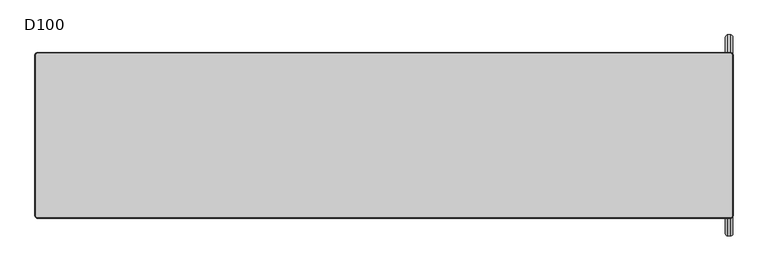
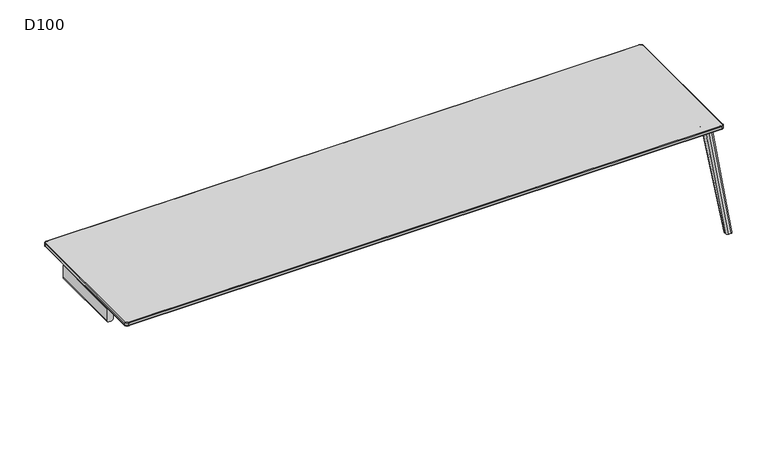
"""IFC4 building model written with IfcOpenShell, lengths in millimetres: furniture geometry, D100."""

from ifc_helpers import new_model, si_unit, point, frame, frame_2d, origin, place, context, project, spatial, polyline, circle_curve, ellipse_curve, trimmed, segment, composite_curve, outline, extrude, source, transform, mapped, element, save
from ifc_brep_helpers import plane_surface, cylinder_surface, revolved_surface, advanced_brep


def d100_9498625e(model_context):
    return source(origin(), model_context, "Body", "SolidModel", [
        extrude(outline(composite_curve([segment(polyline([(611.0, 2099.0), (700.0, 2099.0), (700.0, 2054.0), (611.0, 2054.0)]), True, "CONTINUOUS"), segment(trimmed(circle_curve(frame_2d((611.0, 2069.0)), 15.0), [point((611.0, 2054.0))], [point((596.0, 2069.0))], False, "CARTESIAN"), True, "CONTINUOUS"), segment(polyline([(596.0, 2069.0), (596.0, 2084.0)]), True, "CONTINUOUS"), segment(trimmed(circle_curve(frame_2d((611.0, 2084.0)), 15.0), [point((596.0, 2084.0))], [point((611.0, 2099.0))], False, "CARTESIAN"), True, "CONTINUOUS")], self_intersect=False)), frame((0.0, -264.7236545, 0.0), z_axis=(0.0, 1.0, 0.0), x_axis=(0.0, 0.0, 1.0)), (0.0, 0.0, 1.0), 529.4473089),
        extrude(outline(composite_curve([segment(polyline([(611.0, 0.0), (700.0, 0.0), (700.0, -45.0), (611.0, -45.0)]), True, "CONTINUOUS"), segment(trimmed(circle_curve(frame_2d((611.0, -30.0)), 15.0), [point((611.0, -45.0))], [point((596.0, -30.0))], False, "CARTESIAN"), True, "CONTINUOUS"), segment(polyline([(596.0, -30.0), (596.0, -15.0)]), True, "CONTINUOUS"), segment(trimmed(circle_curve(frame_2d((611.0, -15.0)), 15.0), [point((596.0, -15.0))], [point((611.0, 0.0))], False, "CARTESIAN"), True, "CONTINUOUS")], self_intersect=False)), frame((0.0, -264.7236545, 0.0), z_axis=(0.0, 1.0, 0.0), x_axis=(0.0, 0.0, 1.0)), (0.0, 0.0, 1.0), 529.4473089),
        extrude(outline(composite_curve([segment(trimmed(circle_curve(frame_2d((611.0, 15.0)), 15.0), [point((611.0, 0.0))], [point((596.0, 15.0))], False, "CARTESIAN"), True, "CONTINUOUS"), segment(polyline([(596.0, 15.0), (596.0, 30.0)]), True, "CONTINUOUS"), segment(trimmed(circle_curve(frame_2d((611.0, 30.0)), 15.0), [point((596.0, 30.0))], [point((611.0, 45.0))], False, "CARTESIAN"), True, "CONTINUOUS"), segment(polyline([(611.0, 45.0), (700.0, 45.0), (700.0, 0.0), (611.0, 0.0)]), True, "CONTINUOUS")], self_intersect=False)), frame((0.0, -264.7236545, 0.0), z_axis=(0.0, 1.0, 0.0), x_axis=(0.0, 0.0, 1.0)), (0.0, 0.0, 1.0), 529.4473089),
        extrude(outline(composite_curve([segment(trimmed(circle_curve(frame_2d((611.0, -2084.0)), 15.0), [point((611.0, -2099.0))], [point((596.0, -2084.0))], False, "CARTESIAN"), True, "CONTINUOUS"), segment(polyline([(596.0, -2084.0), (596.0, -2069.0)]), True, "CONTINUOUS"), segment(trimmed(circle_curve(frame_2d((611.0, -2069.0)), 15.0), [point((596.0, -2069.0))], [point((611.0, -2054.0))], False, "CARTESIAN"), True, "CONTINUOUS"), segment(polyline([(611.0, -2054.0), (700.0, -2054.0), (700.0, -2099.0), (611.0, -2099.0)]), True, "CONTINUOUS")], self_intersect=False)), frame((0.0, -264.7236545, 0.0), z_axis=(0.0, 1.0, 0.0), x_axis=(0.0, 0.0, 1.0)), (0.0, 0.0, 1.0), 529.4473089),
        advanced_brep(
        [(-2082.0, 495.0, 732.0), (-2095.0, 482.0, 732.0), (-2095.0, -482.0, 732.0), (-2082.0, -495.0, 732.0), (2082.0, -495.0, 732.0), (2095.0, -482.0, 732.0), (2095.0, 482.0, 732.0), (2082.0, 495.0, 732.0), (-2095.0, 482.0, 706.0), (-2082.0, 495.0, 706.0), (2082.0, 495.0, 706.0), (2095.0, 482.0, 706.0), (2095.0, -482.0, 706.0), (2082.0, -495.0, 706.0), (-2082.0, -495.0, 706.0), (-2095.0, -482.0, 706.0), (-2100.0, 482.0, 727.0000049), (-2100.0, 482.0, 711.0), (-2100.0, -482.0, 711.0), (-2100.0, -482.0, 727.0), (-2082.0, -500.0, 711.0), (-2082.0, -500.0, 727.0000037), (2082.0, -500.0, 711.0), (2082.0, -500.0, 727.0), (2100.0, -482.0, 711.0), (2100.0, -482.0, 727.0000035), (2100.0, 482.0, 711.0), (2100.0, 482.0, 727.0), (-2082.0, 500.0, 711.0), (-2082.0, 500.0, 727.0), (2082.0, 500.0, 711.0), (2082.0, 500.0, 727.0)],
        [
            (0, 1, circle_curve(frame((-2082.0, 482.0, 732.0), z_axis=(0.0, 0.0, 1.0), x_axis=(0.0, 1.0, 0.0)), 13.0)),
            (1, 2),
            (2, 3, circle_curve(frame((-2082.0, -482.0, 732.0), z_axis=(0.0, 0.0, 1.0), x_axis=(-1.0, 0.0, 0.0)), 13.0)),
            (3, 4),
            (4, 5, circle_curve(frame((2082.0, -482.0, 732.0), z_axis=(0.0, 0.0, 1.0), x_axis=(0.0, -1.0, 0.0)), 13.0)),
            (5, 6),
            (6, 7, circle_curve(frame((2082.0, 482.0, 732.0), z_axis=(0.0, 0.0, 1.0), x_axis=(1.0, 0.0, 0.0)), 13.0)),
            (7, 0),
            (8, 9, circle_curve(frame((-2082.0, 482.0, 706.0), z_axis=(0.0, 0.0, -1.0), x_axis=(0.0, 1.0, 0.0)), 13.0)),
            (9, 10),
            (10, 11, circle_curve(frame((2082.0, 482.0, 706.0), z_axis=(0.0, 0.0, -1.0), x_axis=(1.0, 0.0, 0.0)), 13.0)),
            (11, 12),
            (12, 13, circle_curve(frame((2082.0, -482.0, 706.0), z_axis=(0.0, 0.0, -1.0), x_axis=(0.0, -1.0, 0.0)), 13.0)),
            (13, 14),
            (14, 15, circle_curve(frame((-2082.0, -482.0, 706.0), z_axis=(0.0, 0.0, -1.0), x_axis=(-1.0, 0.0, 0.0)), 13.0)),
            (15, 8),
            (16, 17),
            (17, 18),
            (18, 19),
            (19, 16),
            (18, 20, circle_curve(frame((-2082.0, -482.0, 711.0), z_axis=(0.0, 0.0, 1.0), x_axis=(1.0, 0.0, 0.0)), 18.0)),
            (20, 21),
            (21, 19, circle_curve(frame((-2082.0, -482.0, 727.0), z_axis=(0.0, 0.0, -1.0), x_axis=(1.0, 0.0, 0.0)), 18.0)),
            (20, 22),
            (22, 23),
            (23, 21),
            (22, 24, circle_curve(frame((2082.0, -482.0, 711.0), z_axis=(0.0, 0.0, 1.0), x_axis=(1.0, 0.0, 0.0)), 18.0)),
            (24, 25),
            (25, 23, circle_curve(frame((2082.0, -482.0, 727.0), z_axis=(0.0, 0.0, -1.0), x_axis=(1.0, 0.0, 0.0)), 18.0)),
            (24, 26),
            (26, 27),
            (27, 25),
            (8, 17, circle_curve(frame((-2095.0, 482.0, 711.0), z_axis=(0.0, 1.0, 0.0), x_axis=(1.0, 0.0, 0.0)), 5.0)),
            (17, 28, circle_curve(frame((-2082.0, 482.0, 711.0), z_axis=(0.0, 0.0, -1.0), x_axis=(0.0, 1.0, 0.0)), 18.0)),
            (28, 9, circle_curve(frame((-2082.0, 495.0, 711.0), z_axis=(-1.0, 0.0, 0.0), x_axis=(0.0, -1.0, 0.0)), 5.0)),
            (16, 1, circle_curve(frame((-2095.0, 482.0, 727.0), z_axis=(0.0, 1.0, 0.0), x_axis=(1.0, 0.0, 0.0)), 5.0)),
            (0, 29, circle_curve(frame((-2082.0, 495.0, 727.0), z_axis=(-1.0, 0.0, 0.0), x_axis=(0.0, -1.0, 0.0)), 5.0)),
            (29, 16, circle_curve(frame((-2082.0, 482.0, 727.0), z_axis=(0.0, 0.0, 1.0), x_axis=(0.0, 1.0, 0.0)), 18.0)),
            (15, 18, circle_curve(frame((-2095.0, -482.0, 711.0), z_axis=(0.0, 1.0, 0.0), x_axis=(1.0, 0.0, 0.0)), 5.0)),
            (19, 2, circle_curve(frame((-2095.0, -482.0, 727.0), z_axis=(0.0, 1.0, 0.0), x_axis=(1.0, 0.0, 0.0)), 5.0)),
            (14, 20, circle_curve(frame((-2082.0, -495.0, 711.0), z_axis=(-1.0, 0.0, 0.0), x_axis=(0.0, 1.0, 0.0)), 5.0)),
            (21, 3, circle_curve(frame((-2082.0, -495.0, 727.0), z_axis=(-1.0, 0.0, 0.0), x_axis=(0.0, 1.0, 0.0)), 5.0)),
            (13, 22, circle_curve(frame((2082.0, -495.0, 711.0), z_axis=(-1.0, 0.0, 0.0), x_axis=(0.0, 1.0, 0.0)), 5.0)),
            (23, 4, circle_curve(frame((2082.0, -495.0, 727.0), z_axis=(-1.0, 0.0, 0.0), x_axis=(0.0, 1.0, 0.0)), 5.0)),
            (12, 24, circle_curve(frame((2095.0, -482.0, 711.0), z_axis=(0.0, -1.0, 0.0), x_axis=(-1.0, 0.0, 0.0)), 5.0)),
            (25, 5, circle_curve(frame((2095.0, -482.0, 727.0), z_axis=(0.0, -1.0, 0.0), x_axis=(-1.0, 0.0, 0.0)), 5.0)),
            (11, 26, circle_curve(frame((2095.0, 482.0, 711.0), z_axis=(0.0, -1.0, 0.0), x_axis=(-1.0, 0.0, 0.0)), 5.0)),
            (27, 6, circle_curve(frame((2095.0, 482.0, 727.0), z_axis=(0.0, -1.0, 0.0), x_axis=(-1.0, 0.0, 0.0)), 5.0)),
            (10, 30, circle_curve(frame((2082.0, 495.0, 711.0), z_axis=(1.0, 0.0, 0.0), x_axis=(0.0, -1.0, 0.0)), 5.0)),
            (30, 26, circle_curve(frame((2082.0, 482.0, 711.0), z_axis=(0.0, 0.0, -1.0), x_axis=(1.0, 0.0, 0.0)), 18.0)),
            (27, 31, circle_curve(frame((2082.0, 482.0, 727.0), z_axis=(0.0, 0.0, 1.0), x_axis=(1.0, 0.0, 0.0)), 18.0)),
            (31, 7, circle_curve(frame((2082.0, 495.0, 727.0), z_axis=(1.0, 0.0, 0.0), x_axis=(0.0, -1.0, 0.0)), 5.0)),
            (28, 30),
            (31, 29),
            (30, 31),
            (28, 29),
        ],
        [
            plane_surface(frame((-2100.0, -482.0, 732.0), z_axis=(0.0, 0.0, 1.0), x_axis=(0.0, -1.0, 0.0))),
            plane_surface(frame((-2100.0, -482.0, 706.0), z_axis=(0.0, 0.0, -1.0), x_axis=(0.0, 1.0, 0.0))),
            plane_surface(frame((-2100.0, 482.0, 732.0), z_axis=(-1.0, 0.0, 0.0), x_axis=(0.0, 0.0, -1.0))),
            cylinder_surface(frame((-2082.0, -482.0, 706.0), z_axis=(0.0, 0.0, 1.0), x_axis=(1.0, 0.0, 0.0)), 18.0),
            plane_surface(frame((-2082.0, -500.0, 732.0), z_axis=(0.0, -1.0, 0.0), x_axis=(0.0, 0.0, -1.0))),
            cylinder_surface(frame((2082.0, -482.0, 706.0), z_axis=(0.0, 0.0, 1.0), x_axis=(1.0, 0.0, 0.0)), 18.0),
            plane_surface(frame((2100.0, -482.0, 732.0), z_axis=(1.0, 0.0, 0.0), x_axis=(0.0, 0.0, -1.0))),
            revolved_surface(trimmed(ellipse_curve(frame((-2082.0, 495.0, 711.0), z_axis=(1.0, 0.0, 0.0), x_axis=(0.0, -1.0, 0.0)), 5.0, 5.0), [point((-2082.0, 495.0, 706.0))], [point((-2082.0, 500.0, 711.0))], True, "CARTESIAN"), (-2082.0, 482.0, -180.0), (0.0, 0.0, 1.0)),
            revolved_surface(trimmed(ellipse_curve(frame((-2082.0, 495.0, 727.0), z_axis=(1.0, 0.0, 0.0), x_axis=(0.0, -1.0, 0.0)), 5.0, 5.0), [point((-2082.0, 500.0, 727.0))], [point((-2082.0, 495.0, 732.0))], True, "CARTESIAN"), (-2082.0, 482.0, -180.0), (0.0, 0.0, 1.0)),
            cylinder_surface(frame((-2095.0, 482.0, 711.0), z_axis=(0.0, -1.0, 0.0), x_axis=(1.0, 0.0, 0.0)), 5.0),
            cylinder_surface(frame((-2095.0, 482.0, 727.0), z_axis=(0.0, -1.0, 0.0), x_axis=(1.0, 0.0, 0.0)), 5.0),
            revolved_surface(trimmed(ellipse_curve(frame((-2095.0, -482.0, 711.0), z_axis=(0.0, 1.0, 0.0), x_axis=(1.0, 0.0, 0.0)), 5.0, 5.0), [point((-2095.0, -482.0, 706.0))], [point((-2100.0, -482.0, 711.0))], True, "CARTESIAN"), (-2082.0, -482.0, -180.0), (0.0, 0.0, 1.0)),
            revolved_surface(trimmed(ellipse_curve(frame((-2095.0, -482.0, 727.0), z_axis=(0.0, 1.0, 0.0), x_axis=(1.0, 0.0, 0.0)), 5.0, 5.0), [point((-2100.0, -482.0, 727.0))], [point((-2095.0, -482.0, 732.0))], True, "CARTESIAN"), (-2082.0, -482.0, -180.0), (0.0, 0.0, 1.0)),
            cylinder_surface(frame((-2082.0, -495.0, 711.0), z_axis=(1.0, 0.0, 0.0), x_axis=(0.0, 1.0, 0.0)), 5.0),
            cylinder_surface(frame((-2082.0, -495.0, 727.0), z_axis=(1.0, 0.0, 0.0), x_axis=(0.0, 1.0, 0.0)), 5.0),
            revolved_surface(trimmed(ellipse_curve(frame((2082.0, -495.0, 711.0), z_axis=(-1.0, 0.0, 0.0), x_axis=(0.0, 1.0, 0.0)), 5.0, 5.0), [point((2082.0, -495.0, 706.0))], [point((2082.0, -500.0, 711.0))], True, "CARTESIAN"), (2082.0, -482.0, -180.0), (0.0, 0.0, 1.0)),
            revolved_surface(trimmed(ellipse_curve(frame((2082.0, -495.0, 727.0), z_axis=(-1.0, 0.0, 0.0), x_axis=(0.0, 1.0, 0.0)), 5.0, 5.0), [point((2082.0, -500.0, 727.0))], [point((2082.0, -495.0, 732.0))], True, "CARTESIAN"), (2082.0, -482.0, -180.0), (0.0, 0.0, 1.0)),
            cylinder_surface(frame((2095.0, -482.0, 711.0), z_axis=(0.0, 1.0, 0.0), x_axis=(-1.0, 0.0, 0.0)), 5.0),
            cylinder_surface(frame((2095.0, -482.0, 727.0), z_axis=(0.0, 1.0, 0.0), x_axis=(-1.0, 0.0, 0.0)), 5.0),
            revolved_surface(trimmed(ellipse_curve(frame((2095.0, 482.0, 711.0), z_axis=(0.0, -1.0, 0.0), x_axis=(-1.0, 0.0, 0.0)), 5.0, 5.0), [point((2095.0, 482.0, 706.0))], [point((2100.0, 482.0, 711.0))], True, "CARTESIAN"), (2082.0, 482.0, -180.0), (0.0, 0.0, 1.0)),
            revolved_surface(trimmed(ellipse_curve(frame((2095.0, 482.0, 727.0), z_axis=(0.0, -1.0, 0.0), x_axis=(-1.0, 0.0, 0.0)), 5.0, 5.0), [point((2100.0, 482.0, 727.0))], [point((2095.0, 482.0, 732.0))], True, "CARTESIAN"), (2082.0, 482.0, -180.0), (0.0, 0.0, 1.0)),
            cylinder_surface(frame((2082.0, 495.0, 711.0), z_axis=(-1.0, 0.0, 0.0), x_axis=(0.0, -1.0, 0.0)), 5.0),
            cylinder_surface(frame((2082.0, 495.0, 727.0), z_axis=(-1.0, 0.0, 0.0), x_axis=(0.0, -1.0, 0.0)), 5.0),
            cylinder_surface(frame((2082.0, 482.0, 706.0), z_axis=(0.0, 0.0, 1.0), x_axis=(1.0, 0.0, 0.0)), 18.0),
            plane_surface(frame((2082.0, 500.0, 732.0), z_axis=(0.0, 1.0, 0.0), x_axis=(0.0, 0.0, -1.0))),
            cylinder_surface(frame((-2082.0, 482.0, 706.0), z_axis=(0.0, 0.0, 1.0), x_axis=(1.0, 0.0, 0.0)), 18.0),
        ],
        [
            (0, [[1, 2, 3, 4, 5, 6, 7, 8]]),
            (1, [[9, 10, 11, 12, 13, 14, 15, 16]]),
            (2, [[17, 18, 19, 20]]),
            (3, [[-19, 21, 22, 23]]),
            (4, [[-22, 24, 25, 26]]),
            (5, [[-25, 27, 28, 29]]),
            (6, [[-28, 30, 31, 32]]),
            (7, [[33, 34, 35, -9]]),
            (8, [[36, -1, 37, 38]]),
            (9, [[-33, -16, 39, -18]]),
            (10, [[-36, -20, 40, -2]]),
            (11, [[-39, -15, 41, -21]]),
            (12, [[-40, -23, 42, -3]]),
            (13, [[-41, -14, 43, -24]]),
            (14, [[-42, -26, 44, -4]]),
            (15, [[-43, -13, 45, -27]]),
            (16, [[-44, -29, 46, -5]]),
            (17, [[-45, -12, 47, -30]]),
            (18, [[-46, -32, 48, -6]]),
            (19, [[-47, -11, 49, 50]]),
            (20, [[-48, 51, 52, -7]]),
            (21, [[-35, 53, -49, -10]]),
            (22, [[-37, -8, -52, 54]]),
            (23, [[-31, -50, 55, -51]]),
            (24, [[-55, -53, 56, -54]]),
            (25, [[-17, -38, -56, -34]]),
        ],
    ),
        advanced_brep(
        [(2029.2740174, -270.7236545, 641.5327762), (2054.0036896, -270.7236545, 611.3326759), (2069.0, -270.7236545, 596.0), (2084.0, -270.7236545, 596.0), (2099.0, -270.7236545, 611.0), (2099.0, -270.7236545, 700.0), (1839.0, -270.7236545, 700.0), (1839.0, -270.7236545, 692.1898324), (1855.4913675, -270.7236545, 672.5), (2029.2740174, -264.7236545, 641.5327762), (1855.4913675, -264.7236545, 672.5), (1839.0, -264.7236545, 692.1898324), (1839.0, -264.7236545, 700.0), (2099.0, -264.7236545, 700.0), (2099.0, -264.7236545, 611.0), (2084.0, -264.7236545, 596.0), (2069.0, -264.7236545, 596.0), (2054.0036896, -264.7236545, 611.3326759), (2099.0, -218.7236545, 700.0), (2099.0, -218.7236545, 706.0), (2099.0, -316.7236545, 706.0), (2099.0, -316.7236545, 700.0), (2083.0, -202.7236545, 706.0), (1855.0, -202.7236545, 706.0), (1839.0, -218.7236545, 706.0), (1839.0, -316.7236545, 706.0), (1855.0, -332.7236545, 706.0), (2083.0, -332.7236545, 706.0), (1839.0, -218.7236545, 700.0), (1839.0, -316.7236545, 700.0), (2083.0, -202.7236545, 700.0), (1855.0, -202.7236545, 700.0), (2083.0, -332.7236545, 700.0), (1855.0, -332.7236545, 700.0)],
        [
            (0, 1, circle_curve(frame((2024.0110687, -270.7236545, 611.9980276), z_axis=(0.0, 1.0, 0.0), x_axis=(1.0, 0.0, 0.0)), 30.0)),
            (1, 2, circle_curve(frame((2069.0, -270.7236545, 611.0), z_axis=(0.0, -1.0, 0.0), x_axis=(1.0, 0.0, 0.0)), 15.0)),
            (2, 3),
            (3, 4, circle_curve(frame((2084.0, -270.7236545, 611.0), z_axis=(0.0, -1.0, 0.0), x_axis=(1.0, 0.0, 0.0)), 15.0)),
            (4, 5),
            (5, 6),
            (6, 7),
            (7, 8, circle_curve(frame((1859.0, -270.7236545, 692.1898324), z_axis=(0.0, -1.0, 0.0), x_axis=(1.0, 0.0, 0.0)), 20.0)),
            (8, 0),
            (9, 10),
            (10, 11, circle_curve(frame((1859.0, -264.7236545, 692.1898324), z_axis=(0.0, 1.0, 0.0), x_axis=(1.0, 0.0, 0.0)), 20.0)),
            (11, 12),
            (12, 13),
            (13, 14),
            (14, 15, circle_curve(frame((2084.0, -264.7236545, 611.0), z_axis=(0.0, 1.0, 0.0), x_axis=(1.0, 0.0, 0.0)), 15.0)),
            (15, 16),
            (16, 17, circle_curve(frame((2069.0, -264.7236545, 611.0), z_axis=(0.0, 1.0, 0.0), x_axis=(1.0, 0.0, 0.0)), 15.0)),
            (17, 9, circle_curve(frame((2024.0110687, -264.7236545, 611.9980276), z_axis=(0.0, -1.0, 0.0), x_axis=(1.0, 0.0, 0.0)), 30.0)),
            (0, 9),
            (17, 1),
            (4, 14),
            (13, 18),
            (18, 19),
            (19, 20),
            (20, 21),
            (21, 5),
            (19, 22, circle_curve(frame((2083.0, -218.7236545, 706.0), z_axis=(0.0, 0.0, 1.0), x_axis=(-1.0, 0.0, 0.0)), 16.0)),
            (22, 23),
            (23, 24, circle_curve(frame((1855.0, -218.7236545, 706.0), z_axis=(0.0, 0.0, 1.0), x_axis=(-1.0, 0.0, 0.0)), 16.0)),
            (24, 25),
            (25, 26, circle_curve(frame((1855.0, -316.7236545, 706.0), z_axis=(0.0, 0.0, 1.0), x_axis=(-1.0, 0.0, 0.0)), 16.0)),
            (26, 27),
            (27, 20, circle_curve(frame((2083.0, -316.7236545, 706.0), z_axis=(0.0, 0.0, 1.0), x_axis=(-1.0, 0.0, 0.0)), 16.0)),
            (24, 28),
            (28, 12),
            (11, 7),
            (6, 29),
            (29, 25),
            (10, 8),
            (16, 2),
            (15, 3),
            (30, 18, circle_curve(frame((2083.0, -218.7236545, 700.0), z_axis=(0.0, 0.0, -1.0), x_axis=(-1.0, 0.0, 0.0)), 16.0)),
            (28, 31, circle_curve(frame((1855.0, -218.7236545, 700.0), z_axis=(0.0, 0.0, -1.0), x_axis=(-1.0, 0.0, 0.0)), 16.0)),
            (31, 30),
            (21, 32, circle_curve(frame((2083.0, -316.7236545, 700.0), z_axis=(0.0, 0.0, -1.0), x_axis=(-1.0, 0.0, 0.0)), 16.0)),
            (32, 33),
            (33, 29, circle_curve(frame((1855.0, -316.7236545, 700.0), z_axis=(0.0, 0.0, -1.0), x_axis=(-1.0, 0.0, 0.0)), 16.0)),
            (30, 22),
            (27, 32),
            (26, 33),
            (23, 31),
        ],
        [
            plane_surface(frame((2054.0110687, -270.7236545, 611.9980276), z_axis=(0.0, -1.0, 0.0), x_axis=(0.0, 0.0, -1.0))),
            plane_surface(frame((2054.0110687, -264.7236545, 611.9980276), z_axis=(0.0, 1.0, 0.0), x_axis=(0.0, 0.0, 1.0))),
            revolved_surface(polyline([(2054.0110686999997, -264.7236545, 611.9980276), (2054.0110686999997, -270.7236545, 611.9980276)]), (2024.0110687, -264.7236545, 611.9980276), (0.0, 1.0, 0.0)),
            plane_surface(frame((2099.0, -270.7236545, 611.0), z_axis=(1.0, 0.0, 0.0), x_axis=(0.0, 1.0, 0.0))),
            plane_surface(frame((2099.0, -270.7236545, 706.0), z_axis=(0.0, 0.0, 1.0), x_axis=(0.0, 1.0, 0.0))),
            plane_surface(frame((1839.0, -270.7236545, 706.0), z_axis=(-1.0, 0.0, 0.0), x_axis=(0.0, 1.0, 0.0))),
            cylinder_surface(frame((1859.0, -264.7236545, 692.1898324), z_axis=(0.0, -1.0, 0.0), x_axis=(1.0, 0.0, 0.0)), 20.0),
            plane_surface(frame((1855.4913675, -270.7236545, 672.5), z_axis=(-0.17543162299465118, 0.0, -0.984491617868564), x_axis=(0.0, 1.0, 0.0))),
            cylinder_surface(frame((2069.0, -264.7236545, 611.0), z_axis=(0.0, -1.0, 0.0), x_axis=(1.0, 0.0, 0.0)), 15.0),
            plane_surface(frame((2069.0, -270.7236545, 596.0), z_axis=(0.0, 0.0, -1.0), x_axis=(0.0, 1.0, 0.0))),
            cylinder_surface(frame((2084.0, -264.7236545, 611.0), z_axis=(0.0, -1.0, 0.0), x_axis=(1.0, 0.0, 0.0)), 15.0),
            plane_surface(frame((1855.0, -202.7236545, 700.0), z_axis=(0.0, 0.0, -1.0), x_axis=(1.0, 0.0, 0.0))),
            cylinder_surface(frame((2083.0, -218.7236545, 700.0), z_axis=(0.0, 0.0, 1.0), x_axis=(-1.0, 0.0, 0.0)), 16.0),
            cylinder_surface(frame((2083.0, -316.7236545, 700.0), z_axis=(0.0, 0.0, 1.0), x_axis=(-1.0, 0.0, 0.0)), 16.0),
            plane_surface(frame((1855.0, -332.7236545, 706.0), z_axis=(0.0, -1.0, 0.0), x_axis=(0.0, 0.0, -1.0))),
            cylinder_surface(frame((1855.0, -316.7236545, 700.0), z_axis=(0.0, 0.0, 1.0), x_axis=(-1.0, 0.0, 0.0)), 16.0),
            cylinder_surface(frame((1855.0, -218.7236545, 700.0), z_axis=(0.0, 0.0, 1.0), x_axis=(-1.0, 0.0, 0.0)), 16.0),
            plane_surface(frame((2083.0, -202.7236545, 706.0), z_axis=(0.0, 1.0, 0.0), x_axis=(0.0, 0.0, -1.0))),
        ],
        [
            (0, [[1, 2, 3, 4, 5, 6, 7, 8, 9]]),
            (1, [[10, 11, 12, 13, 14, 15, 16, 17, 18]]),
            (2, [[-1, 19, -18, 20]]),
            (3, [[21, -14, 22, 23, 24, 25, 26, -5]]),
            (4, [[-24, 27, 28, 29, 30, 31, 32, 33]]),
            (5, [[-30, 34, 35, -12, 36, -7, 37, 38]]),
            (6, [[-8, -36, -11, 39]]),
            (7, [[-9, -39, -10, -19]]),
            (8, [[-2, -20, -17, 40]]),
            (9, [[-3, -40, -16, 41]]),
            (10, [[-4, -41, -15, -21]]),
            (11, [[42, -22, -13, -35, 43, 44]]),
            (11, [[45, 46, 47, -37, -6, -26]]),
            (12, [[-27, -23, -42, 48]]),
            (13, [[-33, 49, -45, -25]]),
            (14, [[-32, 50, -46, -49]]),
            (15, [[-31, -38, -47, -50]]),
            (16, [[-29, 51, -43, -34]]),
            (17, [[-28, -48, -44, -51]]),
        ],
    ),
        advanced_brep(
        [(2029.2740174, 270.7236545, 641.5327762), (1855.4913675, 270.7236545, 672.5), (1839.0, 270.7236545, 692.1898324), (1839.0, 270.7236545, 700.0), (2099.0, 270.7236545, 700.0), (2099.0, 270.7236545, 611.0), (2084.0, 270.7236545, 596.0), (2069.0, 270.7236545, 596.0), (2054.0036896, 270.7236545, 611.3326759), (2029.2740174, 264.7236545, 641.5327762), (2054.0036896, 264.7236545, 611.3326759), (2069.0, 264.7236545, 596.0), (2084.0, 264.7236545, 596.0), (2099.0, 264.7236545, 611.0), (2099.0, 264.7236545, 700.0), (1839.0, 264.7236545, 700.0), (1839.0, 264.7236545, 692.1898324), (1855.4913675, 264.7236545, 672.5), (2099.0, 218.7236545, 706.0), (2099.0, 218.7236545, 700.0), (2099.0, 316.7236545, 700.0), (2099.0, 316.7236545, 706.0), (2083.0, 332.7236545, 706.0), (1855.0, 332.7236545, 706.0), (1839.0, 316.7236545, 706.0), (1839.0, 218.7236545, 706.0), (1855.0, 202.7236545, 706.0), (2083.0, 202.7236545, 706.0), (1839.0, 316.7236545, 700.0), (1839.0, 218.7236545, 700.0), (2083.0, 202.7236545, 700.0), (1855.0, 202.7236545, 700.0), (1855.0, 332.7236545, 700.0), (2083.0, 332.7236545, 700.0)],
        [
            (0, 1),
            (1, 2, circle_curve(frame((1859.0, 270.7236545, 692.1898324), z_axis=(0.0, 1.0, 0.0), x_axis=(1.0, 0.0, 0.0)), 20.0)),
            (2, 3),
            (3, 4),
            (4, 5),
            (5, 6, circle_curve(frame((2084.0, 270.7236545, 611.0), z_axis=(0.0, 1.0, 0.0), x_axis=(1.0, 0.0, 0.0)), 15.0)),
            (6, 7),
            (7, 8, circle_curve(frame((2069.0, 270.7236545, 611.0), z_axis=(0.0, 1.0, 0.0), x_axis=(1.0, 0.0, 0.0)), 15.0)),
            (8, 0, circle_curve(frame((2024.0110687, 270.7236545, 611.9980276), z_axis=(0.0, -1.0, 0.0), x_axis=(1.0, 0.0, 0.0)), 30.0)),
            (9, 10, circle_curve(frame((2024.0110687, 264.7236545, 611.9980276), z_axis=(0.0, 1.0, 0.0), x_axis=(1.0, 0.0, 0.0)), 30.0)),
            (10, 11, circle_curve(frame((2069.0, 264.7236545, 611.0), z_axis=(0.0, -1.0, 0.0), x_axis=(1.0, 0.0, 0.0)), 15.0)),
            (11, 12),
            (12, 13, circle_curve(frame((2084.0, 264.7236545, 611.0), z_axis=(0.0, -1.0, 0.0), x_axis=(1.0, 0.0, 0.0)), 15.0)),
            (13, 14),
            (14, 15),
            (15, 16),
            (16, 17, circle_curve(frame((1859.0, 264.7236545, 692.1898324), z_axis=(0.0, -1.0, 0.0), x_axis=(1.0, 0.0, 0.0)), 20.0)),
            (17, 9),
            (8, 10),
            (9, 0),
            (18, 19),
            (19, 14),
            (13, 5),
            (4, 20),
            (20, 21),
            (21, 18),
            (21, 22, circle_curve(frame((2083.0, 316.7236545, 706.0), z_axis=(0.0, 0.0, 1.0), x_axis=(-1.0, 0.0, 0.0)), 16.0)),
            (22, 23),
            (23, 24, circle_curve(frame((1855.0, 316.7236545, 706.0), z_axis=(0.0, 0.0, 1.0), x_axis=(-1.0, 0.0, 0.0)), 16.0)),
            (24, 25),
            (25, 26, circle_curve(frame((1855.0, 218.7236545, 706.0), z_axis=(0.0, 0.0, 1.0), x_axis=(-1.0, 0.0, 0.0)), 16.0)),
            (26, 27),
            (27, 18, circle_curve(frame((2083.0, 218.7236545, 706.0), z_axis=(0.0, 0.0, 1.0), x_axis=(-1.0, 0.0, 0.0)), 16.0)),
            (24, 28),
            (28, 3),
            (2, 16),
            (15, 29),
            (29, 25),
            (1, 17),
            (7, 11),
            (6, 12),
            (30, 31),
            (31, 29, circle_curve(frame((1855.0, 218.7236545, 700.0), z_axis=(0.0, 0.0, -1.0), x_axis=(-1.0, 0.0, 0.0)), 16.0)),
            (19, 30, circle_curve(frame((2083.0, 218.7236545, 700.0), z_axis=(0.0, 0.0, -1.0), x_axis=(-1.0, 0.0, 0.0)), 16.0)),
            (28, 32, circle_curve(frame((1855.0, 316.7236545, 700.0), z_axis=(0.0, 0.0, -1.0), x_axis=(-1.0, 0.0, 0.0)), 16.0)),
            (32, 33),
            (33, 20, circle_curve(frame((2083.0, 316.7236545, 700.0), z_axis=(0.0, 0.0, -1.0), x_axis=(-1.0, 0.0, 0.0)), 16.0)),
            (27, 30),
            (33, 22),
            (32, 23),
            (31, 26),
        ],
        [
            plane_surface(frame((1855.4913675, 270.7236545, 672.5), z_axis=(0.0, 1.0, 0.0), x_axis=(-0.984491617868564, 0.0, 0.1754316229946514))),
            plane_surface(frame((1855.4913675, 264.7236545, 672.5), z_axis=(0.0, -1.0, 0.0), x_axis=(0.984491617868564, 0.0, -0.1754316229946514))),
            revolved_surface(polyline([(2054.0110686999997, 264.7236545, 611.9980276), (2054.0110686999997, 270.7236545, 611.9980276)]), (2024.0110687, 264.7236545, 611.9980276), (0.0, -1.0, 0.0)),
            plane_surface(frame((2099.0, 270.7236545, 706.0), z_axis=(1.0, 0.0, 0.0), x_axis=(0.0, -1.0, 0.0))),
            plane_surface(frame((1839.0, 270.7236545, 706.0), z_axis=(0.0, 0.0, 1.0), x_axis=(0.0, -1.0, 0.0))),
            plane_surface(frame((1839.0, 270.7236545, 692.1898324), z_axis=(-1.0, 0.0, 0.0), x_axis=(0.0, -1.0, 0.0))),
            cylinder_surface(frame((1859.0, 264.7236545, 692.1898324), z_axis=(0.0, 1.0, 0.0), x_axis=(1.0, 0.0, 0.0)), 20.0),
            plane_surface(frame((2029.2740174, 270.7236545, 641.5327762), z_axis=(-0.1754316229946514, 0.0, -0.984491617868564), x_axis=(0.0, -1.0, 0.0))),
            cylinder_surface(frame((2069.0, 264.7236545, 611.0), z_axis=(0.0, 1.0, 0.0), x_axis=(1.0, 0.0, 0.0)), 15.0),
            plane_surface(frame((2084.0, 270.7236545, 596.0), z_axis=(0.0, 0.0, -1.0), x_axis=(0.0, -1.0, 0.0))),
            cylinder_surface(frame((2084.0, 264.7236545, 611.0), z_axis=(0.0, 1.0, 0.0), x_axis=(1.0, 0.0, 0.0)), 15.0),
            plane_surface(frame((2067.0, 218.7236545, 700.0), z_axis=(0.0, 0.0, -1.0), x_axis=(0.0, 1.0, 0.0))),
            cylinder_surface(frame((2083.0, 218.7236545, 700.0), z_axis=(0.0, 0.0, 1.0), x_axis=(-1.0, 0.0, 0.0)), 16.0),
            cylinder_surface(frame((2083.0, 316.7236545, 700.0), z_axis=(0.0, 0.0, 1.0), x_axis=(-1.0, 0.0, 0.0)), 16.0),
            plane_surface(frame((2083.0, 332.7236545, 706.0), z_axis=(0.0, 1.0, 0.0), x_axis=(0.0, 0.0, -1.0))),
            cylinder_surface(frame((1855.0, 316.7236545, 700.0), z_axis=(0.0, 0.0, 1.0), x_axis=(-1.0, 0.0, 0.0)), 16.0),
            cylinder_surface(frame((1855.0, 218.7236545, 700.0), z_axis=(0.0, 0.0, 1.0), x_axis=(-1.0, 0.0, 0.0)), 16.0),
            plane_surface(frame((1855.0, 202.7236545, 706.0), z_axis=(0.0, -1.0, 0.0), x_axis=(0.0, 0.0, -1.0))),
        ],
        [
            (0, [[1, 2, 3, 4, 5, 6, 7, 8, 9]]),
            (1, [[10, 11, 12, 13, 14, 15, 16, 17, 18]]),
            (2, [[-9, 19, -10, 20]]),
            (3, [[21, 22, -14, 23, -5, 24, 25, 26]]),
            (4, [[-26, 27, 28, 29, 30, 31, 32, 33]]),
            (5, [[-30, 34, 35, -3, 36, -16, 37, 38]]),
            (6, [[-2, 39, -17, -36]]),
            (7, [[-1, -20, -18, -39]]),
            (8, [[-8, 40, -11, -19]]),
            (9, [[-7, 41, -12, -40]]),
            (10, [[-6, -23, -13, -41]]),
            (11, [[42, 43, -37, -15, -22, 44]]),
            (11, [[45, 46, 47, -24, -4, -35]]),
            (12, [[-33, 48, -44, -21]]),
            (13, [[-27, -25, -47, 49]]),
            (14, [[-28, -49, -46, 50]]),
            (15, [[-29, -50, -45, -34]]),
            (16, [[-31, -38, -43, 51]]),
            (17, [[-32, -51, -42, -48]]),
        ],
    ),
        advanced_brep(
        [(2084.0, 272.7758244, 596.0), (2099.0, 272.7758244, 611.0), (2099.0, 270.7236545, 611.0), (2084.0, 270.7236545, 596.0), (2054.0, 272.7758244, 611.0), (2069.0, 272.7758244, 596.0), (2069.0, 270.7236545, 596.0), (2054.0, 270.7236545, 611.0), (2099.0, 319.3435487, 580.82862), (2084.0, 305.6533176, 574.6985653), (2084.0, 562.9852524, 0.0), (2099.0, 579.4203292, 0.0), (2069.0, 305.6533176, 574.6985653), (2054.0, 319.3435487, 580.82862), (2054.0, 579.4203292, 0.0), (2069.0, 562.9852524, 0.0), (2054.0, 270.7236545, 700.0), (2054.0, 316.6217076, 700.0), (2054.0, 589.8218305, 0.0), (2099.0, 270.7236545, 700.0), (2099.0, 589.8218305, 0.0), (2099.0, 316.6217076, 700.0), (2084.0, 332.7236545, 700.0), (2069.0, 332.7236545, 700.0), (2084.0, 605.9237773, 0.0), (2069.0, 605.9237773, 0.0)],
        [
            (0, 1, circle_curve(frame((2084.0, 272.7758244, 611.0), z_axis=(0.0, -1.0, 0.0), x_axis=(0.0, 0.0, -1.0)), 15.0)),
            (1, 2),
            (2, 3, circle_curve(frame((2084.0, 270.7236545, 611.0), z_axis=(0.0, 1.0, 0.0), x_axis=(0.0, 0.0, -1.0)), 15.0)),
            (3, 0),
            (4, 5, circle_curve(frame((2069.0, 272.7758244, 611.0), z_axis=(0.0, -1.0, 0.0), x_axis=(0.0, 0.0, -1.0)), 15.0)),
            (5, 6),
            (6, 7, circle_curve(frame((2069.0, 270.7236545, 611.0), z_axis=(0.0, 1.0, 0.0), x_axis=(0.0, 0.0, -1.0)), 15.0)),
            (7, 4),
            (8, 9, circle_curve(frame((2084.0, 319.3435487, 580.82862), z_axis=(0.0, 0.4086703164969099, -0.9126820763082375), x_axis=(0.0, -0.9126820763082375, -0.4086703164969099)), 15.0)),
            (9, 10),
            (10, 11, ellipse_curve(frame((2084.0, 579.4203292, 0.0), z_axis=(0.0, 0.0, 1.0), x_axis=(0.0, 1.0, 0.0)), 16.4350768, 15.0)),
            (11, 8),
            (12, 13, circle_curve(frame((2069.0, 319.3435487, 580.82862), z_axis=(0.0, 0.4086703164969099, -0.9126820763082375), x_axis=(0.0, -0.9126820763082375, -0.4086703164969099)), 15.0)),
            (13, 14),
            (14, 15, ellipse_curve(frame((2069.0, 579.4203292, 0.0), z_axis=(0.0, 0.0, 1.0), x_axis=(0.0, 1.0, 0.0)), 16.4350768, 15.0)),
            (15, 12),
            (0, 9, circle_curve(frame((2084.0, 272.7758244, 559.9770583), z_axis=(-1.0, 0.0, 0.0), x_axis=(0.0, 0.0, 1.0)), 36.0229417)),
            (8, 1, circle_curve(frame((2099.0, 272.7758244, 559.9770583), z_axis=(1.0, 0.0, 0.0), x_axis=(0.0, 0.0, 1.0)), 51.0229417)),
            (4, 13, circle_curve(frame((2054.0, 272.7758244, 559.9770583), z_axis=(-1.0, 0.0, 0.0), x_axis=(0.0, 0.0, 1.0)), 51.0229417)),
            (12, 5, circle_curve(frame((2069.0, 272.7758244, 559.9770583), z_axis=(1.0, 0.0, 0.0), x_axis=(0.0, 0.0, 1.0)), 36.0229417)),
            (7, 16),
            (16, 17),
            (17, 18),
            (18, 14),
            (19, 2),
            (11, 20),
            (20, 21),
            (21, 19),
            (16, 19),
            (21, 22, ellipse_curve(frame((2084.0, 316.6217076, 700.0), z_axis=(0.0, 0.0, 1.0), x_axis=(0.0, -1.0, 0.0)), 16.1019468, 15.0)),
            (22, 23),
            (23, 17, ellipse_curve(frame((2069.0, 316.6217076, 700.0), z_axis=(0.0, 0.0, 1.0), x_axis=(0.0, -1.0, 0.0)), 16.1019468, 15.0)),
            (22, 24),
            (24, 25),
            (25, 23),
            (10, 15),
            (18, 25, ellipse_curve(frame((2069.0, 589.8218305, 0.0), z_axis=(0.0, 0.0, -1.0), x_axis=(0.0, -0.9999999999999999, 0.0)), 16.1019468, 15.0)),
            (24, 20, ellipse_curve(frame((2084.0, 589.8218305, 0.0), z_axis=(0.0, 0.0, -1.0), x_axis=(0.0, -0.9999999999999999, 0.0)), 16.1019468, 15.0)),
            (9, 12),
            (0, 5),
            (3, 6),
        ],
        [
            cylinder_surface(frame((2084.0, -272.7758244, 611.0), z_axis=(0.0, 1.0, 0.0), x_axis=(0.0, 0.0, -1.0)), 15.0),
            cylinder_surface(frame((2069.0, -272.7758244, 611.0), z_axis=(0.0, 1.0, 0.0), x_axis=(0.0, 0.0, -1.0)), 15.0),
            cylinder_surface(frame((2084.0, 319.3435487, 580.82862), z_axis=(0.0, 0.4086703164969099, -0.9126820763082375), x_axis=(0.0, -0.9126820763082375, -0.4086703164969099)), 15.0),
            cylinder_surface(frame((2069.0, 319.3435487, 580.82862), z_axis=(0.0, 0.4086703164969099, -0.9126820763082375), x_axis=(0.0, -0.9126820763082375, -0.4086703164969099)), 15.0),
            revolved_surface(trimmed(ellipse_curve(frame((2084.0, 272.7758244, 611.0), z_axis=(0.0, -1.0, 0.0), x_axis=(0.0, 0.0, -1.0)), 15.0, 15.0), [point((2084.0, 272.7758244, 596.0))], [point((2099.0, 272.7758244, 611.0))], True, "CARTESIAN"), (1317.0, 272.7758244, 559.9770583), (-1.0, 0.0, 0.0)),
            revolved_surface(trimmed(ellipse_curve(frame((2069.0, 272.7758244, 611.0), z_axis=(0.0, -1.0, 0.0), x_axis=(0.0, 0.0, -1.0)), 15.0, 15.0), [point((2054.0, 272.7758244, 611.0))], [point((2069.0, 272.7758244, 596.0))], True, "CARTESIAN"), (1317.0, 272.7758244, 559.9770583), (-1.0, 0.0, 0.0)),
            plane_surface(frame((2054.0, 291.5455549, 700.0), z_axis=(-1.0, 0.0, 0.0), x_axis=(0.0, 1.0, 0.0))),
            plane_surface(frame((2099.0, 291.5455549, 700.0), z_axis=(1.0, 0.0, 0.0), x_axis=(0.0, -1.0, 0.0))),
            plane_surface(frame((2054.0, 270.7236545, 700.0), z_axis=(0.0, 0.0, 1.0), x_axis=(1.0, 0.0, 0.0))),
            plane_surface(frame((2054.0, 332.7236545, 700.0), z_axis=(0.0, 0.9315643722265751, 0.3635764299265108), x_axis=(1.0, 0.0, 0.0))),
            plane_surface(frame((2054.0, 605.9237773, 0.0), z_axis=(0.0, 0.0, -1.0), x_axis=(1.0, 0.0, 0.0))),
            plane_surface(frame((2054.0, 562.9852524, 0.0), z_axis=(0.0, -0.9126820763082374, -0.40867031649691016), x_axis=(1.0, 0.0, 0.0))),
            revolved_surface(polyline([(2084.0, 236.7528827, 559.9770583), (2069.0, 236.7528827, 559.9770583)]), (2099.0, 272.7758244, 559.9770583), (1.0, 0.0, 0.0)),
            plane_surface(frame((2054.0, 272.7758244, 596.0), z_axis=(0.0, 0.0, -1.0), x_axis=(1.0, 0.0, 0.0))),
            plane_surface(frame((2054.0, 270.7236545, 596.0), z_axis=(0.0, -1.0, 0.0), x_axis=(1.0, 0.0, 0.0))),
            cylinder_surface(frame((2084.0, 599.6644228, -25.2189296), z_axis=(0.0, -0.3635764299265101, 0.9315643722265754), x_axis=(0.0, 0.9315643722265754, 0.3635764299265101)), 15.0),
            cylinder_surface(frame((2069.0, 599.6644228, -25.2189296), z_axis=(0.0, -0.3635764299265101, 0.9315643722265754), x_axis=(0.0, 0.9315643722265754, 0.3635764299265101)), 15.0),
        ],
        [
            (0, [[1, 2, 3, 4]]),
            (1, [[5, 6, 7, 8]]),
            (2, [[9, 10, 11, 12]]),
            (3, [[13, 14, 15, 16]]),
            (4, [[-1, 17, -9, 18]]),
            (5, [[-5, 19, -13, 20]]),
            (6, [[21, 22, 23, 24, -14, -19, -8]]),
            (7, [[25, -2, -18, -12, 26, 27, 28]]),
            (8, [[29, -28, 30, 31, 32, -22]]),
            (9, [[-31, 33, 34, 35]]),
            (10, [[36, -15, -24, 37, -34, 38, -26, -11]]),
            (11, [[-36, -10, 39, -16]]),
            (12, [[-39, -17, 40, -20]]),
            (13, [[-40, -4, 41, -6]]),
            (14, [[-29, -21, -7, -41, -3, -25]]),
            (15, [[-27, -38, -33, -30]]),
            (16, [[-23, -32, -35, -37]]),
        ],
    ),
        advanced_brep(
        [(2054.0, -270.7236545, 700.0), (2054.0, -270.7236545, 611.0), (2054.0, -272.7758244, 611.0), (2054.0, -319.3435487, 580.82862), (2054.0, -579.4203292, 0.0), (2054.0, -589.8218305, 0.0), (2054.0, -316.6217076, 700.0), (2099.0, -270.7236545, 611.0), (2099.0, -270.7236545, 700.0), (2099.0, -316.6217076, 700.0), (2099.0, -589.8218305, 0.0), (2099.0, -579.4203292, 0.0), (2099.0, -319.3435487, 580.82862), (2099.0, -272.7758244, 611.0), (2069.0, -332.7236545, 700.0), (2084.0, -332.7236545, 700.0), (2069.0, -605.9237773, 0.0), (2084.0, -605.9237773, 0.0), (2069.0, -562.9852524, 0.0), (2084.0, -562.9852524, 0.0), (2069.0, -305.6533176, 574.6985653), (2084.0, -305.6533176, 574.6985653), (2069.0, -272.7758244, 596.0), (2084.0, -272.7758244, 596.0), (2069.0, -270.7236545, 596.0), (2084.0, -270.7236545, 596.0)],
        [
            (0, 1),
            (1, 2),
            (2, 3, circle_curve(frame((2054.0, -272.7758244, 559.9770583), z_axis=(1.0, 0.0, 0.0), x_axis=(0.0, -0.9126820763082378, 0.4086703164969091)), 51.0229417)),
            (3, 4),
            (4, 5),
            (5, 6),
            (6, 0),
            (7, 8),
            (8, 9),
            (9, 10),
            (10, 11),
            (11, 12),
            (12, 13, circle_curve(frame((2099.0, -272.7758244, 559.9770583), z_axis=(-1.0, 0.0, 0.0), x_axis=(0.0, -0.9126820763082378, 0.4086703164969091)), 51.0229417)),
            (13, 7),
            (8, 0),
            (6, 14, ellipse_curve(frame((2069.0, -316.6217076, 700.0), z_axis=(0.0, 0.0, 1.0), x_axis=(0.0, 1.0, 0.0)), 16.1019468, 15.0)),
            (14, 15),
            (15, 9, ellipse_curve(frame((2084.0, -316.6217076, 700.0), z_axis=(0.0, 0.0, 1.0), x_axis=(0.0, 1.0, 0.0)), 16.1019468, 15.0)),
            (14, 16),
            (16, 17),
            (17, 15),
            (18, 19),
            (19, 11, ellipse_curve(frame((2084.0, -579.4203292, 0.0), z_axis=(0.0, 0.0, -1.0), x_axis=(0.0, 1.0, 0.0)), 16.4350768, 15.0)),
            (10, 17, ellipse_curve(frame((2084.0, -589.8218305, 0.0), z_axis=(0.0, 0.0, -1.0), x_axis=(0.0, 0.9999999999999999, 0.0)), 16.1019468, 15.0)),
            (16, 5, ellipse_curve(frame((2069.0, -589.8218305, 0.0), z_axis=(0.0, 0.0, -1.0), x_axis=(0.0, 0.9999999999999999, 0.0)), 16.1019468, 15.0)),
            (4, 18, ellipse_curve(frame((2069.0, -579.4203292, 0.0), z_axis=(0.0, 0.0, -1.0), x_axis=(0.0, 1.0, 0.0)), 16.4350768, 15.0)),
            (18, 20),
            (20, 21),
            (21, 19),
            (20, 22, circle_curve(frame((2069.0, -272.7758244, 559.9770583), z_axis=(-1.0, 0.0, 0.0), x_axis=(0.0, 1.0, 0.0)), 36.0229417)),
            (22, 23),
            (23, 21, circle_curve(frame((2084.0, -272.7758244, 559.9770583), z_axis=(1.0, 0.0, 0.0), x_axis=(0.0, 1.0, 0.0)), 36.0229417)),
            (22, 24),
            (24, 25),
            (25, 23),
            (7, 25, circle_curve(frame((2084.0, -270.7236545, 611.0), z_axis=(0.0, 1.0, 0.0), x_axis=(0.0, 0.0, -1.0)), 15.0)),
            (24, 1, circle_curve(frame((2069.0, -270.7236545, 611.0), z_axis=(0.0, 1.0, 0.0), x_axis=(0.0, 0.0, -1.0)), 15.0)),
            (21, 12, circle_curve(frame((2084.0, -319.3435487, 580.82862), z_axis=(0.0, -0.40867031649690977, -0.9126820763082376), x_axis=(0.0, 0.9126820763082376, -0.40867031649690977)), 15.0)),
            (3, 20, circle_curve(frame((2069.0, -319.3435487, 580.82862), z_axis=(0.0, -0.40867031649690977, -0.9126820763082376), x_axis=(0.0, 0.9126820763082376, -0.40867031649690977)), 15.0)),
            (13, 23, circle_curve(frame((2084.0, -272.7758244, 611.0), z_axis=(0.0, 1.0, 0.0), x_axis=(0.0, 0.0, -1.0)), 15.0)),
            (22, 2, circle_curve(frame((2069.0, -272.7758244, 611.0), z_axis=(0.0, 1.0, 0.0), x_axis=(0.0, 0.0, -1.0)), 15.0)),
        ],
        [
            plane_surface(frame((2054.0, -270.7236545, 596.0), z_axis=(-1.0, 0.0, 0.0), x_axis=(0.0, 0.0, -1.0))),
            plane_surface(frame((2099.0, -270.7236545, 596.0), z_axis=(1.0, 0.0, 0.0), x_axis=(0.0, 0.0, 1.0))),
            plane_surface(frame((2054.0, -332.7236545, 700.0), z_axis=(0.0, 0.0, 1.0), x_axis=(1.0, 0.0, 0.0))),
            plane_surface(frame((2054.0, -605.9237773, 0.0), z_axis=(0.0, -0.9315643722265751, 0.3635764299265108), x_axis=(1.0, 0.0, 0.0))),
            plane_surface(frame((2054.0, -562.9852524, 0.0), z_axis=(0.0, 0.0, -1.0), x_axis=(1.0, 0.0, 0.0))),
            plane_surface(frame((2054.0, -305.6533176, 574.6985653), z_axis=(0.0, 0.9126820763082374, -0.40867031649691016), x_axis=(1.0, 0.0, 0.0))),
            revolved_surface(polyline([(2084.0, -236.7528827, 559.9770583), (2069.0, -236.7528827, 559.9770583)]), (2099.0, -272.7758244, 559.9770583), (1.0, 0.0, 0.0)),
            plane_surface(frame((2054.0, -270.7236545, 596.0), z_axis=(0.0, 0.0, -1.0), x_axis=(1.0, 0.0, 0.0))),
            plane_surface(frame((2054.0, -270.7236545, 700.0), z_axis=(0.0, 1.0, 0.0), x_axis=(1.0, 0.0, 0.0))),
            cylinder_surface(frame((2084.0, -584.7803586, -11.9705362), z_axis=(0.0, 0.40867031649690977, 0.9126820763082376), x_axis=(0.0, 0.9126820763082376, -0.40867031649690977)), 15.0),
            cylinder_surface(frame((2069.0, -584.7803586, -11.9705362), z_axis=(0.0, 0.40867031649690977, 0.9126820763082376), x_axis=(0.0, 0.9126820763082376, -0.40867031649690977)), 15.0),
            cylinder_surface(frame((2084.0, -272.7758244, 611.0), z_axis=(0.0, 1.0, 0.0), x_axis=(0.0, 0.0, -1.0)), 15.0),
            cylinder_surface(frame((2069.0, -272.7758244, 611.0), z_axis=(0.0, 1.0, 0.0), x_axis=(0.0, 0.0, -1.0)), 15.0),
            revolved_surface(trimmed(ellipse_curve(frame((2084.0, -319.3435487, 580.82862), z_axis=(0.0, -0.4086703164969089, -0.9126820763082379), x_axis=(0.0, 0.9126820763082379, -0.4086703164969089)), 15.0, 15.0), [point((2084.0, -305.6533176, 574.6985653))], [point((2099.0, -319.3435487, 580.82862))], True, "CARTESIAN"), (1317.0, -272.7758244, 559.9770583), (-1.0, 0.0, 0.0)),
            revolved_surface(trimmed(ellipse_curve(frame((2069.0, -319.3435487, 580.82862), z_axis=(0.0, -0.4086703164969089, -0.9126820763082379), x_axis=(0.0, 0.9126820763082379, -0.4086703164969089)), 15.0, 15.0), [point((2054.0, -319.3435487, 580.82862))], [point((2069.0, -305.6533176, 574.6985653))], True, "CARTESIAN"), (1317.0, -272.7758244, 559.9770583), (-1.0, 0.0, 0.0)),
            cylinder_surface(frame((2084.0, -599.6644228, -25.2189296), z_axis=(0.0, 0.3635764299265101, 0.9315643722265754), x_axis=(0.0, 0.9315643722265754, -0.3635764299265101)), 15.0),
            cylinder_surface(frame((2069.0, -599.6644228, -25.2189296), z_axis=(0.0, 0.3635764299265101, 0.9315643722265754), x_axis=(0.0, 0.9315643722265754, -0.3635764299265101)), 15.0),
        ],
        [
            (0, [[1, 2, 3, 4, 5, 6, 7]]),
            (1, [[8, 9, 10, 11, 12, 13, 14]]),
            (2, [[15, -7, 16, 17, 18, -9]]),
            (3, [[-17, 19, 20, 21]]),
            (4, [[22, 23, -11, 24, -20, 25, -5, 26]]),
            (5, [[-22, 27, 28, 29]]),
            (6, [[-28, 30, 31, 32]]),
            (7, [[-31, 33, 34, 35]]),
            (8, [[-15, -8, 36, -34, 37, -1]]),
            (9, [[38, -12, -23, -29]]),
            (10, [[39, -27, -26, -4]]),
            (11, [[40, -35, -36, -14]]),
            (12, [[41, -2, -37, -33]]),
            (13, [[-38, -32, -40, -13]]),
            (14, [[-39, -3, -41, -30]]),
            (15, [[-10, -18, -21, -24]]),
            (16, [[-6, -25, -19, -16]]),
        ],
    ),
        advanced_brep(
        [(-69.7259826, 270.7236545, 641.5327762), (-243.5086325, 270.7236545, 672.5), (-260.0, 270.7236545, 692.1898324), (-260.0, 270.7236545, 700.0), (0.0, 270.7236545, 700.0), (0.0, 270.7236545, 611.0), (-15.0, 270.7236545, 596.0), (-30.0, 270.7236545, 596.0), (-45.0, 270.7236545, 611.0), (-44.9963104, 270.7236545, 611.3326759), (-69.7259826, 264.7236545, 641.5327762), (-44.9963104, 264.7236545, 611.3326759), (-45.0, 264.7236545, 611.0), (-30.0, 264.7236545, 596.0), (-15.0, 264.7236545, 596.0), (0.0, 264.7236545, 611.0), (0.0, 264.7236545, 700.0), (-260.0, 264.7236545, 700.0), (-260.0, 264.7236545, 692.1898324), (-243.5086325, 264.7236545, 672.5), (0.0, 218.7236545, 706.0), (0.0, 218.7236545, 700.0), (0.0, 316.7236545, 700.0), (0.0, 316.7236545, 706.0), (-16.0, 332.7236545, 706.0), (-244.0, 332.7236545, 706.0), (-260.0, 316.7236545, 706.0), (-260.0, 218.7236545, 706.0), (-244.0, 202.7236545, 706.0), (-16.0, 202.7236545, 706.0), (-260.0, 316.7236545, 700.0), (-260.0, 218.7236545, 700.0), (-16.0, 202.7236545, 700.0), (-244.0, 202.7236545, 700.0), (-244.0, 332.7236545, 700.0), (-16.0, 332.7236545, 700.0)],
        [
            (0, 1),
            (1, 2, circle_curve(frame((-240.0, 270.7236545, 692.1898324), z_axis=(0.0, 1.0, 0.0), x_axis=(1.0, 0.0, 0.0)), 20.0)),
            (2, 3),
            (3, 4),
            (4, 5),
            (5, 6, circle_curve(frame((-15.0, 270.7236545, 611.0), z_axis=(0.0, 1.0, 0.0), x_axis=(1.0, 0.0, 0.0)), 15.0)),
            (6, 7),
            (7, 8, circle_curve(frame((-30.0, 270.7236545, 611.0), z_axis=(0.0, 1.0, 0.0), x_axis=(1.0, 0.0, 0.0)), 15.0)),
            (8, 9, circle_curve(frame((-30.0, 270.7236545, 611.0), z_axis=(0.0, 1.0, 0.0), x_axis=(1.0, 0.0, 0.0)), 15.0)),
            (9, 0, circle_curve(frame((-74.9889313, 270.7236545, 611.9980276), z_axis=(0.0, -1.0, 0.0), x_axis=(1.0, 0.0, 0.0)), 30.0)),
            (10, 11, circle_curve(frame((-74.9889313, 264.7236545, 611.9980276), z_axis=(0.0, 1.0, 0.0), x_axis=(1.0, 0.0, 0.0)), 30.0)),
            (11, 12, circle_curve(frame((-30.0, 264.7236545, 611.0), z_axis=(0.0, -1.0, 0.0), x_axis=(1.0, 0.0, 0.0)), 15.0)),
            (12, 13, circle_curve(frame((-30.0, 264.7236545, 611.0), z_axis=(0.0, -1.0, 0.0), x_axis=(1.0, 0.0, 0.0)), 15.0)),
            (13, 14),
            (14, 15, circle_curve(frame((-15.0, 264.7236545, 611.0), z_axis=(0.0, -1.0, 0.0), x_axis=(1.0, 0.0, 0.0)), 15.0)),
            (15, 16),
            (16, 17),
            (17, 18),
            (18, 19, circle_curve(frame((-240.0, 264.7236545, 692.1898324), z_axis=(0.0, -1.0, 0.0), x_axis=(1.0, 0.0, 0.0)), 20.0)),
            (19, 10),
            (9, 11),
            (10, 0),
            (20, 21),
            (21, 16),
            (15, 5),
            (4, 22),
            (22, 23),
            (23, 20),
            (23, 24, circle_curve(frame((-16.0, 316.7236545, 706.0), z_axis=(0.0, 0.0, 1.0), x_axis=(-1.0, 0.0, 0.0)), 16.0)),
            (24, 25),
            (25, 26, circle_curve(frame((-244.0, 316.7236545, 706.0), z_axis=(0.0, 0.0, 1.0), x_axis=(-1.0, 0.0, 0.0)), 16.0)),
            (26, 27),
            (27, 28, circle_curve(frame((-244.0, 218.7236545, 706.0), z_axis=(0.0, 0.0, 1.0), x_axis=(-1.0, 0.0, 0.0)), 16.0)),
            (28, 29),
            (29, 20, circle_curve(frame((-16.0, 218.7236545, 706.0), z_axis=(0.0, 0.0, 1.0), x_axis=(-1.0, 0.0, 0.0)), 16.0)),
            (26, 30),
            (30, 3),
            (2, 18),
            (17, 31),
            (31, 27),
            (1, 19),
            (7, 13),
            (6, 14),
            (32, 33),
            (33, 31, circle_curve(frame((-244.0, 218.7236545, 700.0), z_axis=(0.0, 0.0, -1.0), x_axis=(-1.0, 0.0, 0.0)), 16.0)),
            (21, 32, circle_curve(frame((-16.0, 218.7236545, 700.0), z_axis=(0.0, 0.0, -1.0), x_axis=(-1.0, 0.0, 0.0)), 16.0)),
            (30, 34, circle_curve(frame((-244.0, 316.7236545, 700.0), z_axis=(0.0, 0.0, -1.0), x_axis=(-1.0, 0.0, 0.0)), 16.0)),
            (34, 35),
            (35, 22, circle_curve(frame((-16.0, 316.7236545, 700.0), z_axis=(0.0, 0.0, -1.0), x_axis=(-1.0, 0.0, 0.0)), 16.0)),
            (29, 32),
            (35, 24),
            (34, 25),
            (33, 28),
        ],
        [
            plane_surface(frame((-243.5086325, 270.7236545, 672.5), z_axis=(0.0, 1.0, 0.0), x_axis=(-0.9844916178685641, 0.0, 0.17543162299465068))),
            plane_surface(frame((-243.5086325, 264.7236545, 672.5), z_axis=(0.0, -1.0, 0.0), x_axis=(0.9844916178685641, 0.0, -0.17543162299465068))),
            revolved_surface(polyline([(-44.988931300000004, 264.7236545, 611.9980276), (-44.988931300000004, 270.7236545, 611.9980276)]), (-74.9889313, 264.7236545, 611.9980276), (0.0, -1.0, 0.0)),
            plane_surface(frame((0.0, 270.7236545, 706.0), z_axis=(1.0, 0.0, 0.0), x_axis=(0.0, -1.0, 0.0))),
            plane_surface(frame((-260.0, 270.7236545, 706.0), z_axis=(0.0, 0.0, 1.0), x_axis=(0.0, -1.0, 0.0))),
            plane_surface(frame((-260.0, 270.7236545, 692.1898324), z_axis=(-1.0, 0.0, 0.0), x_axis=(0.0, -1.0, 0.0))),
            cylinder_surface(frame((-240.0, 264.7236545, 692.1898324), z_axis=(0.0, 1.0, 0.0), x_axis=(1.0, 0.0, 0.0)), 20.0),
            plane_surface(frame((-69.7259826, 270.7236545, 641.5327762), z_axis=(-0.17543162299465068, 0.0, -0.9844916178685641), x_axis=(0.0, -1.0, 0.0))),
            cylinder_surface(frame((-30.0, 264.7236545, 611.0), z_axis=(0.0, 1.0, 0.0), x_axis=(1.0, 0.0, 0.0)), 15.0),
            plane_surface(frame((-15.0, 270.7236545, 596.0), z_axis=(0.0, 0.0, -1.0), x_axis=(0.0, -1.0, 0.0))),
            cylinder_surface(frame((-15.0, 264.7236545, 611.0), z_axis=(0.0, 1.0, 0.0), x_axis=(1.0, 0.0, 0.0)), 15.0),
            plane_surface(frame((-32.0, 218.7236545, 700.0), z_axis=(0.0, 0.0, -1.0), x_axis=(0.0, 1.0, 0.0))),
            cylinder_surface(frame((-16.0, 218.7236545, 700.0), z_axis=(0.0, 0.0, 1.0), x_axis=(-1.0, 0.0, 0.0)), 16.0),
            cylinder_surface(frame((-16.0, 316.7236545, 700.0), z_axis=(0.0, 0.0, 1.0), x_axis=(-1.0, 0.0, 0.0)), 16.0),
            plane_surface(frame((-16.0, 332.7236545, 706.0), z_axis=(0.0, 1.0, 0.0), x_axis=(0.0, 0.0, -1.0))),
            cylinder_surface(frame((-244.0, 316.7236545, 700.0), z_axis=(0.0, 0.0, 1.0), x_axis=(-1.0, 0.0, 0.0)), 16.0),
            cylinder_surface(frame((-244.0, 218.7236545, 700.0), z_axis=(0.0, 0.0, 1.0), x_axis=(-1.0, 0.0, 0.0)), 16.0),
            plane_surface(frame((-244.0, 202.7236545, 706.0), z_axis=(0.0, -1.0, 0.0), x_axis=(0.0, 0.0, -1.0))),
        ],
        [
            (0, [[1, 2, 3, 4, 5, 6, 7, 8, 9, 10]]),
            (1, [[11, 12, 13, 14, 15, 16, 17, 18, 19, 20]]),
            (2, [[-10, 21, -11, 22]]),
            (3, [[23, 24, -16, 25, -5, 26, 27, 28]]),
            (4, [[-28, 29, 30, 31, 32, 33, 34, 35]]),
            (5, [[-32, 36, 37, -3, 38, -18, 39, 40]]),
            (6, [[-2, 41, -19, -38]]),
            (7, [[-1, -22, -20, -41]]),
            (8, [[-21, -9, -8, 42, -13, -12]]),
            (9, [[-7, 43, -14, -42]]),
            (10, [[-6, -25, -15, -43]]),
            (11, [[44, 45, -39, -17, -24, 46]]),
            (11, [[47, 48, 49, -26, -4, -37]]),
            (12, [[-35, 50, -46, -23]]),
            (13, [[-29, -27, -49, 51]]),
            (14, [[-30, -51, -48, 52]]),
            (15, [[-31, -52, -47, -36]]),
            (16, [[-33, -40, -45, 53]]),
            (17, [[-34, -53, -44, -50]]),
        ],
    ),
    ])


if __name__ == "__main__":
    model = new_model("IFC4")
    model_context = context("Model", 3, world=origin())
    ifc_project = project(units=[si_unit("LENGTHUNIT", "METRE", prefix="MILLI")], contexts=[model_context])
    site = spatial("IfcSite", under=ifc_project)
    building = spatial("IfcBuilding", under=site)
    placement = place(None, origin())
    d100_shape = d100_9498625e(model_context)
    element("IfcFurniture", 1, ObjectType="D100", at=placement, inside=building, context=model_context, shape_type="MappedRepresentation", body=[
        mapped(d100_shape, transform((0.0, 0.0, 0.0), x_axis=(1.0, 0.0, 0.0), y_axis=(0.0, 1.0, 0.0), z_axis=(0.0, 0.0, 1.0))),
    ])
    save(model, "model.ifc")
